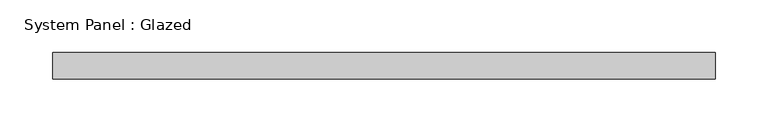
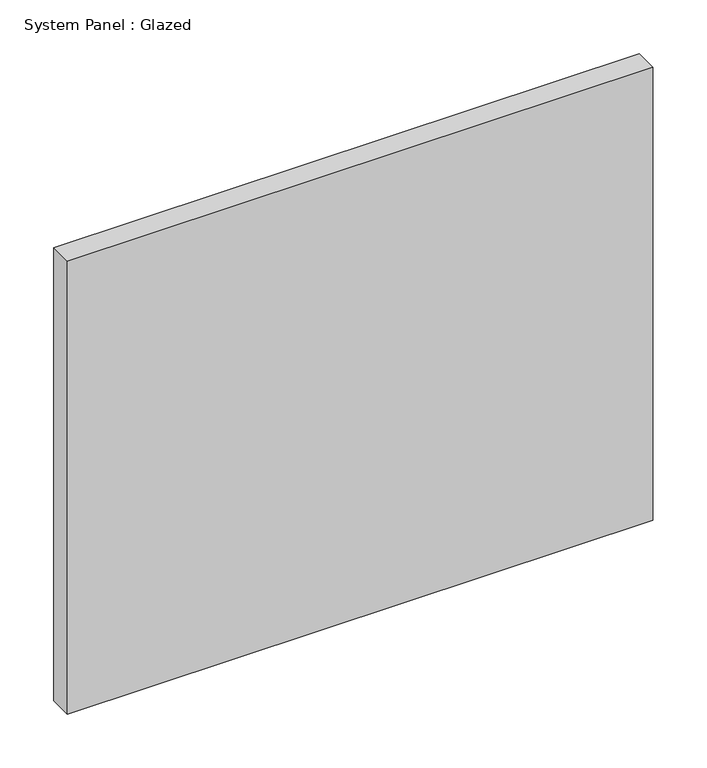
"""IFC4 building model written with IfcOpenShell, lengths in millimetres: plate geometry, System Panel : Glazed."""

from ifc_helpers import new_model, si_unit, origin, origin_with_axes, place, context, project, spatial, polyline, outline, extrude, source, transform, mapped, element, save


def system_panel_glazed_f3217854(model_context):
    return source(origin(), model_context, "Body", "SweptSolid", [
        extrude(outline(polyline([(314.325, 19.05), (-314.325, 19.05), (-314.325, 44.45), (314.325, 44.45), (314.325, 19.05)])), origin_with_axes(), (0.0, 0.0, 1.0), 514.35),
    ])


if __name__ == "__main__":
    model = new_model("IFC4")
    model_context = context("Model", 3, world=origin())
    ifc_project = project(units=[si_unit("LENGTHUNIT", "METRE", prefix="MILLI")], contexts=[model_context])
    site = spatial("IfcSite", under=ifc_project)
    building = spatial("IfcBuilding", under=site)
    placement = place(None, origin())
    system_panel_glazed_shape = system_panel_glazed_f3217854(model_context)
    element("IfcPlate", 1, ObjectType="System Panel : Glazed", at=placement, inside=building, context=model_context, shape_type="MappedRepresentation", body=[
        mapped(system_panel_glazed_shape, transform((0.0, 0.0, 0.0), x_axis=(1.0, 0.0, 0.0), y_axis=(0.0, 1.0, 0.0), z_axis=(0.0, 0.0, 1.0))),
    ])
    save(model, "model.ifc")
